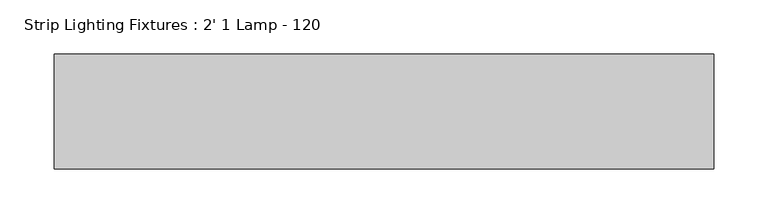
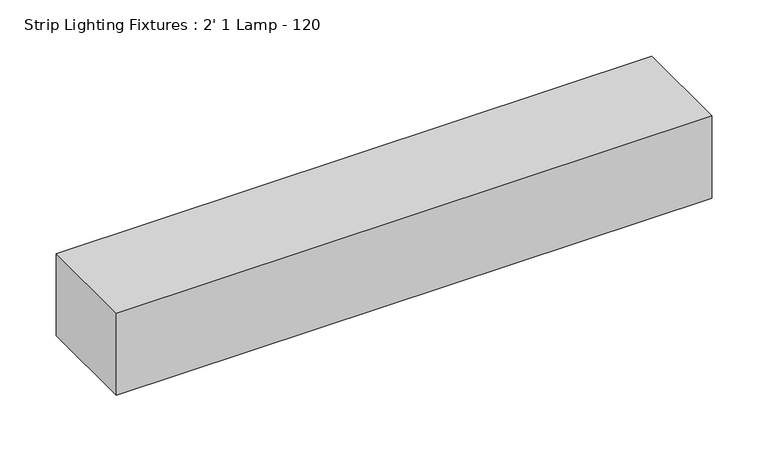
"""IFC4 building model written with IfcOpenShell, lengths in millimetres: light fixture geometry, Strip Lighting Fixtures : 2' 1 Lamp - 120."""

from ifc_helpers import new_model, si_unit, origin, origin_with_axes, place, context, project, spatial, polyline, outline, extrude, source, transform, mapped, element, save


def strip_lighting_fixtures_2_1_lamp_120_e7b29e3a(model_context):
    return source(origin(), model_context, "Body", "SweptSolid", [
        extrude(outline(polyline([(609.6, -53.18125), (0.0, -53.18125), (0.0, 53.18125), (609.6, 53.18125), (609.6, -53.18125)])), origin_with_axes(), (0.0, 0.0, 1.0), 88.9),
    ])


if __name__ == "__main__":
    model = new_model("IFC4")
    model_context = context("Model", 3, world=origin())
    ifc_project = project(units=[si_unit("LENGTHUNIT", "METRE", prefix="MILLI")], contexts=[model_context])
    site = spatial("IfcSite", under=ifc_project)
    building = spatial("IfcBuilding", under=site)
    placement = place(None, origin())
    strip_lighting_fixtures_2_1_lamp_120_shape = strip_lighting_fixtures_2_1_lamp_120_e7b29e3a(model_context)
    element("IfcLightFixture", 1, ObjectType="Strip Lighting Fixtures : 2' 1 Lamp - 120", at=placement, inside=building, context=model_context, shape_type="MappedRepresentation", body=[
        mapped(strip_lighting_fixtures_2_1_lamp_120_shape, transform((0.0, 0.0, 0.0), x_axis=(1.0, 0.0, 0.0), y_axis=(0.0, 1.0, 0.0), z_axis=(0.0, 0.0, 1.0))),
    ])
    save(model, "model.ifc")
